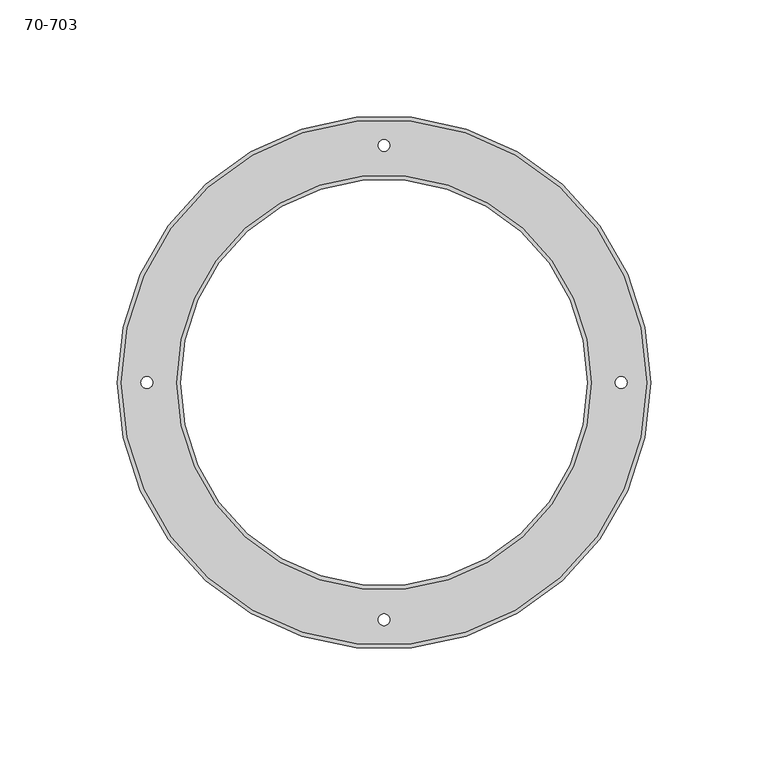
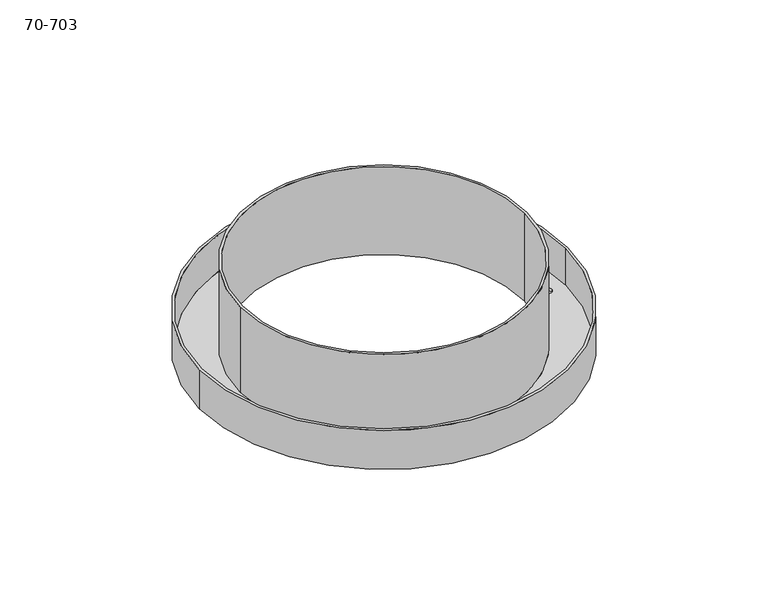
"""IFC4 building model written with IfcOpenShell, lengths in millimetres: proxy geometry, 70-703."""

from ifc_helpers import new_model, si_unit, frame, origin, place, context, project, spatial, polyline, circle_curve, source, transform, mapped, element, save
from ifc_brep_helpers import plane_surface, cylinder_surface, revolved_surface, advanced_brep


def proxy_70_703_b08d4b91(model_context):
    return source(origin(), model_context, "Body", "AdvancedBrep", [
        advanced_brep(
        [(-113.50625, 0.0, 0.0), (-113.50625, 0.0, 25.4), (113.50625, 0.0, 25.4), (113.50625, 0.0, 0.0), (86.614, 0.0, 0.0), (86.614, 0.0, 57.15), (-86.614, 0.0, 57.15), (-86.614, 0.0, 0.0), (-111.85525, 0.0, 25.4), (-111.85525, 0.0, 1.651), (111.85525, 0.0, 1.651), (111.85525, 0.0, 25.4), (88.265, 0.0, 57.15), (88.265, 0.0, 1.651), (-88.265, 0.0, 1.651), (-88.265, 0.0, 57.15), (-103.505, 0.0, 1.651), (-103.505, 0.0, 0.0), (-98.425, 0.0, 0.0), (-98.425, 0.0, 1.651), (98.425, 0.0, 1.651), (98.425, 0.0, 0.0), (103.505, 0.0, 0.0), (103.505, 0.0, 1.651), (-2.54, 100.965, 1.651), (-2.54, 100.965, 0.0), (2.54, 100.965, 0.0), (2.54, 100.965, 1.651), (-2.54, -100.965, 1.651), (-2.54, -100.965, 0.0), (2.54, -100.965, 0.0), (2.54, -100.965, 1.651)],
        [
            (0, 1),
            (1, 2, circle_curve(frame((0.0, 0.0, 25.4), z_axis=(0.0, 0.0, -1.0), x_axis=(-1.0, 0.0, 0.0)), 113.50625)),
            (2, 3),
            (3, 0, circle_curve(frame((0.0, 0.0, 0.0), z_axis=(0.0, 0.0, 1.0), x_axis=(-1.0, 0.0, 0.0)), 113.50625)),
            (4, 5),
            (5, 6, circle_curve(frame((0.0, 0.0, 57.15), z_axis=(0.0, 0.0, 1.0), x_axis=(1.0, 0.0, 0.0)), 86.614)),
            (6, 7),
            (7, 4, circle_curve(frame((0.0, 0.0, 0.0), z_axis=(0.0, 0.0, -1.0), x_axis=(1.0, 0.0, 0.0)), 86.614)),
            (8, 9),
            (9, 10, circle_curve(frame((0.0, 0.0, 1.651), z_axis=(0.0, 0.0, -1.0), x_axis=(-1.0, 0.0, 0.0)), 111.85525)),
            (10, 11),
            (11, 8, circle_curve(frame((0.0, 0.0, 25.4), z_axis=(0.0, 0.0, 1.0), x_axis=(-1.0, 0.0, 0.0)), 111.85525)),
            (12, 13),
            (13, 14, circle_curve(frame((0.0, 0.0, 1.651), z_axis=(0.0, 0.0, 1.0), x_axis=(1.0, 0.0, 0.0)), 88.265)),
            (14, 15),
            (15, 12, circle_curve(frame((0.0, 0.0, 57.15), z_axis=(0.0, 0.0, -1.0), x_axis=(1.0, 0.0, 0.0)), 88.265)),
            (16, 17),
            (17, 18, circle_curve(frame((-100.965, 0.0, 0.0), z_axis=(0.0, 0.0, -1.0), x_axis=(-1.0, 0.0, 0.0)), 2.54)),
            (18, 19),
            (19, 16, circle_curve(frame((-100.965, 0.0, 1.651), z_axis=(0.0, 0.0, 1.0), x_axis=(-1.0, 0.0, 0.0)), 2.54)),
            (20, 21),
            (21, 22, circle_curve(frame((100.965, 0.0, 0.0), z_axis=(0.0, 0.0, -1.0), x_axis=(-1.0, 0.0, 0.0)), 2.54)),
            (22, 23),
            (23, 20, circle_curve(frame((100.965, 0.0, 1.651), z_axis=(0.0, 0.0, 1.0), x_axis=(-1.0, 0.0, 0.0)), 2.54)),
            (24, 25),
            (25, 26, circle_curve(frame((0.0, 100.965, 0.0), z_axis=(0.0, 0.0, -1.0), x_axis=(-1.0, 0.0, 0.0)), 2.54)),
            (26, 27),
            (27, 24, circle_curve(frame((0.0, 100.965, 1.651), z_axis=(0.0, 0.0, 1.0), x_axis=(-1.0, 0.0, 0.0)), 2.54)),
            (28, 29),
            (29, 30, circle_curve(frame((0.0, -100.965, 0.0), z_axis=(0.0, 0.0, -1.0), x_axis=(-1.0, 0.0, 0.0)), 2.54)),
            (30, 31),
            (31, 28, circle_curve(frame((0.0, -100.965, 1.651), z_axis=(0.0, 0.0, 1.0), x_axis=(-1.0, 0.0, 0.0)), 2.54)),
            (28, 31, circle_curve(frame((0.0, -100.965, 1.651), z_axis=(0.0, 0.0, 1.0), x_axis=(-1.0, 0.0, 0.0)), 2.54)),
            (30, 29, circle_curve(frame((0.0, -100.965, 0.0), z_axis=(0.0, 0.0, -1.0), x_axis=(-1.0, 0.0, 0.0)), 2.54)),
            (24, 27, circle_curve(frame((0.0, 100.965, 1.651), z_axis=(0.0, 0.0, 1.0), x_axis=(-1.0, 0.0, 0.0)), 2.54)),
            (26, 25, circle_curve(frame((0.0, 100.965, 0.0), z_axis=(0.0, 0.0, -1.0), x_axis=(-1.0, 0.0, 0.0)), 2.54)),
            (20, 23, circle_curve(frame((100.965, 0.0, 1.651), z_axis=(0.0, 0.0, 1.0), x_axis=(-1.0, 0.0, 0.0)), 2.54)),
            (22, 21, circle_curve(frame((100.965, 0.0, 0.0), z_axis=(0.0, 0.0, -1.0), x_axis=(-1.0, 0.0, 0.0)), 2.54)),
            (16, 19, circle_curve(frame((-100.965, 0.0, 1.651), z_axis=(0.0, 0.0, 1.0), x_axis=(-1.0, 0.0, 0.0)), 2.54)),
            (18, 17, circle_curve(frame((-100.965, 0.0, 0.0), z_axis=(0.0, 0.0, -1.0), x_axis=(-1.0, 0.0, 0.0)), 2.54)),
            (1, 2, circle_curve(frame((0.0, 0.0, 25.4), z_axis=(0.0, 0.0, 1.0), x_axis=(-1.0, 0.0, 0.0)), 113.50625)),
            (11, 8, circle_curve(frame((0.0, 0.0, 25.4), z_axis=(0.0, 0.0, -1.0), x_axis=(-1.0, 0.0, 0.0)), 111.85525)),
            (9, 10, circle_curve(frame((0.0, 0.0, 1.651), z_axis=(0.0, 0.0, 1.0), x_axis=(-1.0, 0.0, 0.0)), 111.85525)),
            (13, 14, circle_curve(frame((0.0, 0.0, 1.651), z_axis=(0.0, 0.0, -1.0), x_axis=(1.0, 0.0, 0.0)), 88.265)),
            (12, 15, circle_curve(frame((0.0, 0.0, 57.15), z_axis=(0.0, 0.0, -1.0), x_axis=(1.0, 0.0, 0.0)), 88.265)),
            (4, 7, circle_curve(frame((0.0, 0.0, 0.0), z_axis=(0.0, 0.0, -1.0), x_axis=(1.0, 0.0, 0.0)), 86.614)),
            (6, 5, circle_curve(frame((0.0, 0.0, 57.15), z_axis=(0.0, 0.0, 1.0), x_axis=(1.0, 0.0, 0.0)), 86.614)),
            (0, 3, circle_curve(frame((0.0, 0.0, 0.0), z_axis=(0.0, 0.0, 1.0), x_axis=(-1.0, 0.0, 0.0)), 113.50625)),
        ],
        [
            cylinder_surface(frame((0.0, 0.0, 0.0), z_axis=(0.0, 0.0, 1.0), x_axis=(-1.0, 0.0, 0.0)), 113.50625),
            revolved_surface(polyline([(86.614, 0.0, 57.14999999999998), (86.614, 0.0, 0.0)]), (0.0, 0.0, -268.9412032), (0.0, 0.0, 1.0)),
            revolved_surface(polyline([(-111.85525, 0.0, 25.4), (-111.85525, 0.0, 1.651)]), (0.0, 0.0, 0.0), (0.0, 0.0, 1.0)),
            cylinder_surface(frame((0.0, 0.0, -268.9412032), z_axis=(0.0, 0.0, 1.0), x_axis=(1.0, 0.0, 0.0)), 88.265),
            revolved_surface(polyline([(-103.50500000000001, 0.0, 0.0), (-103.50500000000001, 0.0, 1.6509999999999998)]), (-100.965, 0.0, 9.525), (0.0, 0.0, -1.0)),
            revolved_surface(polyline([(98.425, 0.0, 0.0), (98.425, 0.0, 1.6509999999999998)]), (100.965, 0.0, 9.525), (0.0, 0.0, -1.0)),
            revolved_surface(polyline([(-2.54, 100.965, 0.0), (-2.54, 100.965, 1.6509999999999998)]), (0.0, 100.965, 9.525), (0.0, 0.0, -1.0)),
            revolved_surface(polyline([(-2.54, -100.965, 0.0), (-2.54, -100.965, 1.6509999999999998)]), (0.0, -100.965, 9.525), (0.0, 0.0, -1.0)),
            plane_surface(frame((0.0, 0.0, 25.4), z_axis=(0.0, 0.0, 1.0), x_axis=(-1.0, 0.0, 0.0))),
            plane_surface(frame((0.0, 0.0, 1.651), z_axis=(0.0, 0.0, 1.0), x_axis=(-1.0, 0.0, 0.0))),
            plane_surface(frame((0.0, 0.0, 57.15), z_axis=(0.0, 0.0, 1.0), x_axis=(-1.0, 0.0, 0.0))),
            plane_surface(frame((0.0, 0.0, 0.0), z_axis=(0.0, 0.0, -1.0), x_axis=(-1.0, 0.0, 0.0))),
        ],
        [
            (0, [[1, 2, 3, 4]]),
            (1, [[5, 6, 7, 8]]),
            (2, [[9, 10, 11, 12]]),
            (3, [[13, 14, 15, 16]]),
            (4, [[17, 18, 19, 20]]),
            (5, [[21, 22, 23, 24]]),
            (6, [[25, 26, 27, 28]]),
            (7, [[29, 30, 31, 32]]),
            (7, [[-29, 33, -31, 34]]),
            (6, [[-25, 35, -27, 36]]),
            (5, [[-21, 37, -23, 38]]),
            (4, [[-17, 39, -19, 40]]),
            (8, [[41, -2], [-12, 42]]),
            (9, [[43, -10], [-33, -32], [-35, -28], [-37, -24], [-39, -20], [44, -14]]),
            (3, [[-13, 45, -15, -44]]),
            (2, [[-9, -42, -11, -43]]),
            (1, [[-5, 46, -7, 47]]),
            (0, [[-1, 48, -3, -41]]),
            (10, [[-45, -16], [-47, -6]]),
            (11, [[-48, -4], [-34, -30], [-36, -26], [-38, -22], [-40, -18], [-46, -8]]),
        ],
    ),
    ])


if __name__ == "__main__":
    model = new_model("IFC4")
    model_context = context("Model", 3, world=origin())
    ifc_project = project(units=[si_unit("LENGTHUNIT", "METRE", prefix="MILLI")], contexts=[model_context])
    site = spatial("IfcSite", under=ifc_project)
    building = spatial("IfcBuilding", under=site)
    placement = place(None, origin())
    proxy_70_703_shape = proxy_70_703_b08d4b91(model_context)
    element("IfcBuildingElementProxy", 1, Name="70-703", ObjectType="70-703", at=placement, inside=building, context=model_context, shape_type="MappedRepresentation", body=[
        mapped(proxy_70_703_shape, transform((0.0, 0.0, 0.0), x_axis=(1.0, 0.0, 0.0), y_axis=(0.0, 1.0, 0.0), z_axis=(0.0, 0.0, 1.0))),
    ])
    save(model, "model.ifc")
